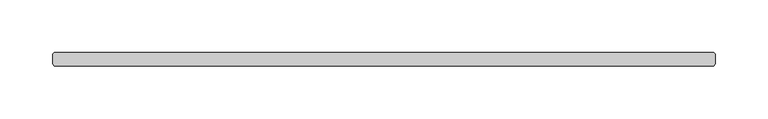
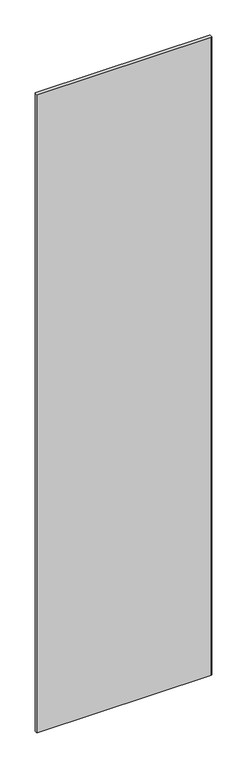
"""IFC4 building model written with IfcOpenShell, lengths in millimetres: plate geometry."""

from ifc_helpers import new_model, si_unit, origin, origin_with_axes, place, context, project, spatial, polyline, outline, extrude, source, transform, mapped, element, save


def plate_e4d9f847(model_context):
    return source(origin(), model_context, "Body", "SweptSolid", [
        extrude(outline(polyline([(313.134375, -36.5125), (-313.134375, -36.5125), (-314.721875, -34.925), (-314.721875, -25.4), (-313.134375, -23.8125), (313.134375, -23.8125), (314.721875, -25.4), (314.721875, -34.925), (313.134375, -36.5125)])), origin_with_axes(), (0.0, 0.0, 1.0), 2428.7789267),
    ])


if __name__ == "__main__":
    model = new_model("IFC4")
    model_context = context("Model", 3, world=origin())
    ifc_project = project(units=[si_unit("LENGTHUNIT", "METRE", prefix="MILLI")], contexts=[model_context])
    site = spatial("IfcSite", under=ifc_project)
    building = spatial("IfcBuilding", under=site)
    placement = place(None, origin())
    plate_shape = plate_e4d9f847(model_context)
    element("IfcPlate", 1, at=placement, inside=building, context=model_context, shape_type="MappedRepresentation", body=[
        mapped(plate_shape, transform((0.0, 0.0, 0.0), x_axis=(1.0, 0.0, 0.0), y_axis=(0.0, 1.0, 0.0), z_axis=(0.0, 0.0, 1.0))),
    ])
    save(model, "model.ifc")
